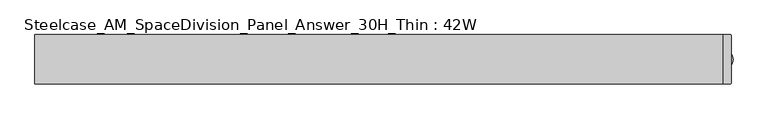
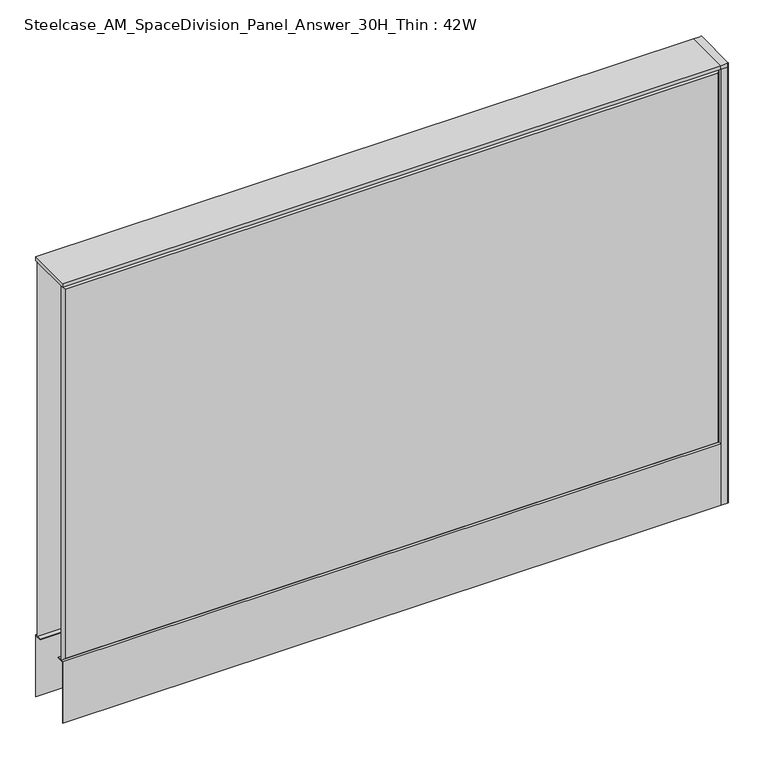
"""IFC4 building model written with IfcOpenShell, lengths in millimetres: furniture geometry, Steelcase_AM_SpaceDivision_Panel_Answer_30H_Thin : 42W."""

from ifc_helpers import new_model, si_unit, point, frame, frame_2d, origin, place, context, project, spatial, polyline, circle_curve, trimmed, segment, composite_curve, outline, extrude, faceted_brep, source, transform, mapped, element, save


def steelcase_am_spacedivision_panel_answer_30h_thin_42w_d1bac839(model_context):
    return source(origin(), model_context, "Body", "SolidModel", [
        extrude(outline(polyline([(37.3075215, 119.8575157), (25.4000011, 119.8575157), (25.4000011, 120.65), (38.1000194, 120.65), (38.1000194, 15.494), (37.3075215, 15.494), (37.3075215, 119.8575157)])), frame((-533.4, 0.0, 0.0), z_axis=(1.0, 0.0, 0.0), x_axis=(0.0, 1.0, 0.0)), (0.0, 0.0, 1.0), 1066.8),
        extrude(outline(polyline([(-37.3075215, 119.8575157), (-37.3075215, 15.494), (-38.1000194, 15.494), (-38.1000194, 120.65), (-25.4000011, 120.65), (-25.4000011, 119.8575157), (-37.3075215, 119.8575157)])), frame((-533.4, 0.0, 0.0), z_axis=(1.0, 0.0, 0.0), x_axis=(0.0, 1.0, 0.0)), (0.0, 0.0, 1.0), 1066.8),
        extrude(outline(composite_curve([segment(trimmed(circle_curve(frame_2d((533.4, -1.94e-05)), 5.08), [point((538.48, -1.94e-05))], [point((528.32, -1.94e-05))], False, "CARTESIAN"), True, "CONTINUOUS"), segment(trimmed(circle_curve(frame_2d((533.4, -1.94e-05)), 5.08), [point((528.32, -1.94e-05))], [point((538.48, -1.94e-05))], False, "CARTESIAN"), True, "CONTINUOUS")], self_intersect=False)), frame((0.0, 0.0, 5.0799671), z_axis=(0.0, 0.0, 1.0), x_axis=(1.0, 0.0, 0.0)), (0.0, 0.0, 1.0), 10.414),
        extrude(outline(composite_curve([segment(trimmed(circle_curve(frame_2d((533.4, -1.94e-05)), 15.24), [point((548.64, -1.94e-05))], [point((518.16, -1.94e-05))], False, "CARTESIAN"), True, "CONTINUOUS"), segment(trimmed(circle_curve(frame_2d((533.4, -1.94e-05)), 15.24), [point((518.16, -1.94e-05))], [point((548.64, -1.94e-05))], False, "CARTESIAN"), True, "CONTINUOUS")], self_intersect=False)), frame((0.0, 0.0, -3.29e-05), z_axis=(0.0, 0.0, 1.0), x_axis=(1.0, 0.0, 0.0)), (0.0, 0.0, 1.0), 5.08),
        extrude(outline(composite_curve([segment(polyline([(546.1, 36.322), (546.1, -36.322)]), True, "CONTINUOUS"), segment(trimmed(circle_curve(frame_2d((544.322, -36.322)), 1.778), [point((546.1, -36.322))], [point((544.322, -38.1))], False, "CARTESIAN"), True, "CONTINUOUS"), segment(polyline([(544.322, -38.1), (533.4, -38.1), (533.4, 38.1), (544.322, 38.1)]), True, "CONTINUOUS"), segment(trimmed(circle_curve(frame_2d((544.322, 36.322)), 1.778), [point((544.322, 38.1))], [point((546.1, 36.322))], False, "CARTESIAN"), True, "CONTINUOUS")], self_intersect=False)), frame((0.0, 0.0, 761.9999671), z_axis=(0.0, 0.0, 1.0), x_axis=(1.0, 0.0, 0.0)), (0.0, 0.0, 1.0), 6.35),
        extrude(outline(composite_curve([segment(polyline([(546.1, 36.322), (546.1, -36.322)]), True, "CONTINUOUS"), segment(trimmed(circle_curve(frame_2d((544.322, -36.322)), 1.778), [point((546.1, -36.322))], [point((544.322, -38.1))], False, "CARTESIAN"), True, "CONTINUOUS"), segment(polyline([(544.322, -38.1), (533.4, -38.1), (533.4, 38.1), (544.322, 38.1)]), True, "CONTINUOUS"), segment(trimmed(circle_curve(frame_2d((544.322, 36.322)), 1.778), [point((544.322, 38.1))], [point((546.1, 36.322))], False, "CARTESIAN"), True, "CONTINUOUS")], self_intersect=False)), frame((0.0, 0.0, 15.4939671), z_axis=(0.0, 0.0, 1.0), x_axis=(1.0, 0.0, 0.0)), (0.0, 0.0, 1.0), 746.506),
        faceted_brep([(528.574, 38.100001, 757.174), (528.574, 38.100001, 125.476), (-528.574, 38.100001, 125.476), (-528.574, 38.100001, 757.174), (533.4, 33.274001, 762.0), (-533.4, 33.274001, 762.0), (-533.4, 33.274001, 120.65), (533.4, 33.274001, 120.65)], [[[0, 1, 2, 3]], [[4, 5, 6, 7]], [[4, 0, 3, 5]], [[5, 3, 2, 6]], [[6, 2, 1, 7]], [[7, 1, 0, 4]]]),
        faceted_brep([(528.574, -38.100001, 757.174), (-528.574, -38.100001, 757.174), (-528.574, -38.100001, 125.476), (528.574, -38.100001, 125.476), (533.4, -33.274001, 762.0), (533.4, -33.274001, 120.65), (-533.4, -33.274001, 120.65), (-533.4, -33.274001, 762.0)], [[[0, 1, 2, 3]], [[4, 5, 6, 7]], [[4, 7, 1, 0]], [[7, 6, 2, 1]], [[6, 5, 3, 2]], [[5, 4, 0, 3]]]),
        extrude(outline(polyline([(533.4, 38.1000194), (533.4, -38.1000194), (-533.4, -38.1000194), (-533.4, 38.1000194), (533.4, 38.1000194)])), frame((0.0, 0.0, 762.0), z_axis=(0.0, 0.0, 1.0), x_axis=(1.0, 0.0, 0.0)), (0.0, 0.0, 1.0), 6.35),
    ])


if __name__ == "__main__":
    model = new_model("IFC4")
    model_context = context("Model", 3, world=origin())
    ifc_project = project(units=[si_unit("LENGTHUNIT", "METRE", prefix="MILLI")], contexts=[model_context])
    site = spatial("IfcSite", under=ifc_project)
    building = spatial("IfcBuilding", under=site)
    placement = place(None, origin())
    steelcase_am_spacedivision_panel_answer_30h_thin_42w_shape = steelcase_am_spacedivision_panel_answer_30h_thin_42w_d1bac839(model_context)
    element("IfcFurniture", 1, ObjectType="Steelcase_AM_SpaceDivision_Panel_Answer_30H_Thin : 42W", at=placement, inside=building, context=model_context, shape_type="MappedRepresentation", body=[
        mapped(steelcase_am_spacedivision_panel_answer_30h_thin_42w_shape, transform((0.0, 0.0, 0.0), x_axis=(1.0, 0.0, 0.0), y_axis=(0.0, 1.0, 0.0), z_axis=(0.0, 0.0, 1.0))),
    ])
    save(model, "model.ifc")
